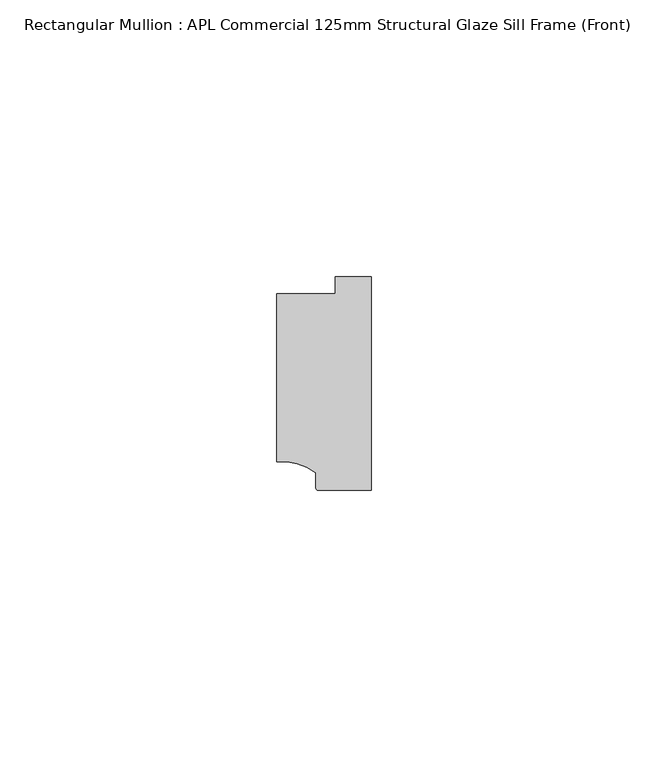
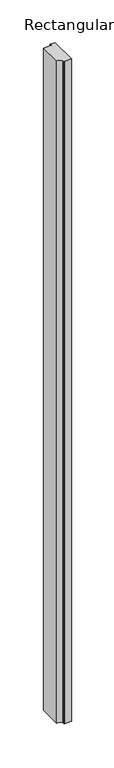
"""IFC4 building model written with IfcOpenShell, lengths in millimetres: member geometry, Rectangular Mullion : APL Commercial 125mm Structural Glaze Sill Frame (Front)."""

from ifc_helpers import new_model, si_unit, point, frame, frame_2d, origin, place, context, project, spatial, polyline, circle_curve, trimmed, segment, composite_curve, outline, extrude, source, transform, mapped, element, save


def rectangular_mullion_apl_commercial_125mm_structural_glaze_57358617(model_context):
    return source(origin(), model_context, "Body", "SweptSolid", [
        extrude(outline(composite_curve([segment(polyline([(-16.999942, -15.3793144), (-16.999942, 15.0004332), (-6.5000029, 15.0004332), (-6.5000029, 18.0281616), (0.0, 18.0281616), (0.0, -20.49978), (-9.5000029, -20.49978)]), True, "CONTINUOUS"), segment(trimmed(circle_curve(frame_2d((-9.5000029, -19.99978)), 0.5), [point((-9.5000029, -20.49978))], [point((-10.0, -19.9980675))], False, "CARTESIAN"), True, "CONTINUOUS"), segment(polyline([(-10.0, -19.9980675), (-10.0, -17.3120901)]), True, "CONTINUOUS"), segment(trimmed(circle_curve(frame_2d((-16.1098048, -25.7977481)), 10.4563907), [point((-10.0, -17.3120901))], [point((-16.999942, -15.3793144))], True, "CARTESIAN"), True, "CONTINUOUS")], self_intersect=False)), frame((0.0, 0.0, -948.6364888), z_axis=(0.0, 0.0, 1.0), x_axis=(1.0, 0.0, 0.0)), (0.0, 0.0, 1.0), 948.6364888),
    ])


if __name__ == "__main__":
    model = new_model("IFC4")
    model_context = context("Model", 3, world=origin())
    ifc_project = project(units=[si_unit("LENGTHUNIT", "METRE", prefix="MILLI")], contexts=[model_context])
    site = spatial("IfcSite", under=ifc_project)
    building = spatial("IfcBuilding", under=site)
    placement = place(None, origin())
    rectangular_mullion_apl_commercial_125mm_structural_glaze_shape = rectangular_mullion_apl_commercial_125mm_structural_glaze_57358617(model_context)
    element("IfcMember", 1, ObjectType="Rectangular Mullion : APL Commercial 125mm Structural Glaze Sill Frame (Front)", at=placement, inside=building, context=model_context, shape_type="MappedRepresentation", body=[
        mapped(rectangular_mullion_apl_commercial_125mm_structural_glaze_shape, transform((0.0, 0.0, 0.0), x_axis=(1.0, 0.0, 0.0), y_axis=(0.0, 1.0, 0.0), z_axis=(0.0, 0.0, 1.0))),
    ])
    save(model, "model.ifc")
